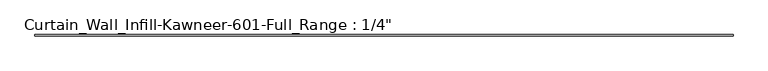
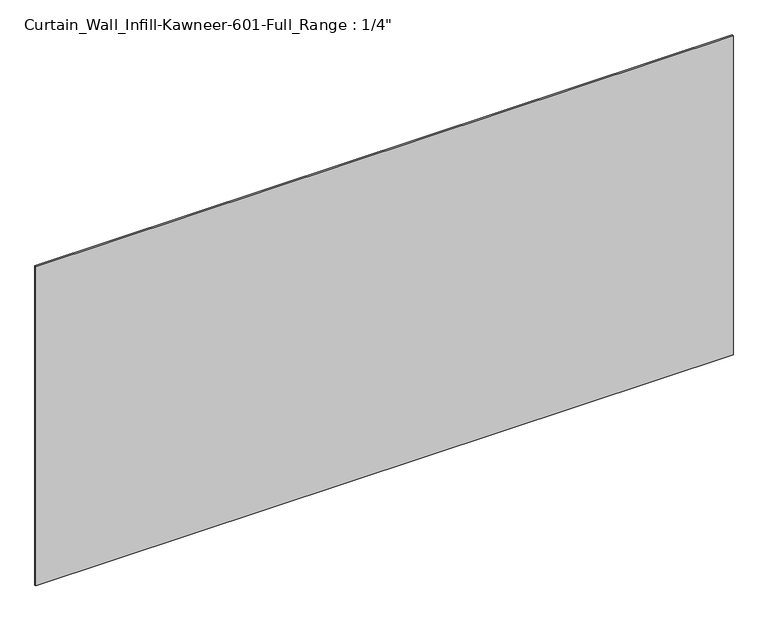
"""IFC4 building model written with IfcOpenShell, lengths in millimetres: plate geometry."""

import ifcopenshell
import ifcopenshell.guid

model = None  # the IFC model being written
_history = None  # IfcOwnerHistory: only IFC2X3 demands one
_inside = {}  # id of a spatial element -> (the spatial element, [elements in it])
_under = {}  # id of a project, library or spatial element -> (it, [spatial elements below it])
_declared = {}  # id of a project -> (the project, [libraries it declares])
_typed = {}  # id of a type object -> (the type object, [elements of that type])
_made_of = {}  # id of a material, layer set ... -> (it, [elements and type objects made of it])


def new_model(schema):
    """Start an empty IFC model of exactly this schema.

    Asked for "IFC4X3", IfcOpenShell would pick the latest addendum, in which some entities
    have other attributes; the version numbers below select the first issue.
    IFC2X3 requires an IfcOwnerHistory on every rooted entity: one is made here for all.
    """
    global model, _history
    if schema == "IFC4X3":
        model = ifcopenshell.file(schema_version=(4, 3, 0, 0))
    else:
        model = ifcopenshell.file(schema=schema)
    _inside.clear()
    _under.clear()
    _declared.clear()
    _typed.clear()
    _made_of.clear()
    _history = None
    if model.schema == "IFC2X3":
        org = make("IfcOrganization", Name="unknown")
        user = make(
            "IfcPersonAndOrganization",
            ThePerson=make("IfcPerson", FamilyName="unknown"),
            TheOrganization=org,
        )
        app = make(
            "IfcApplication",
            ApplicationDeveloper=org,
            Version="unknown",
            ApplicationFullName="unknown",
            ApplicationIdentifier="unknown",
        )
        _history = make(
            "IfcOwnerHistory",
            OwningUser=user,
            OwningApplication=app,
            ChangeAction="ADDED",
            CreationDate=0,
        )
    return model


def make(cls, **values):
    """One entity of the class cls with the attributes given. An attribute that is None is left unset."""
    return model.create_entity(
        cls, **{name: value for name, value in values.items() if value is not None}
    )


def rooted(cls, **values):
    """An entity with a GlobalId (a new one), such as an element, a storey or a relation."""
    return make(cls, GlobalId=ifcopenshell.guid.new(), OwnerHistory=_history, **values)


def si_unit(unit_type, name, prefix=None):
    """IfcSIUnit, for example si_unit("LENGTHUNIT", "METRE", prefix="MILLI")."""
    return make("IfcSIUnit", UnitType=unit_type, Prefix=prefix, Name=name)


def assignment(units):
    """IfcUnitAssignment: the units of a project."""
    return None if units is None else make("IfcUnitAssignment", Units=units)


def point(xyz):
    """IfcCartesianPoint."""
    return None if xyz is None else make("IfcCartesianPoint", Coordinates=xyz)


def direction(xyz):
    """IfcDirection."""
    return None if xyz is None else make("IfcDirection", DirectionRatios=xyz)


def frame(location, z_axis=None, x_axis=None):
    """IfcAxis2Placement3D, a coordinate frame: its origin and axes. An axis left out is left unset."""
    return make(
        "IfcAxis2Placement3D",
        Location=point(location),
        Axis=direction(z_axis),
        RefDirection=direction(x_axis),
    )


def origin():
    """The frame at (0, 0, 0) with its axes left unset."""
    return frame((0.0, 0.0, 0.0))


def origin_with_axes():
    """The frame at (0, 0, 0) with the z axis (0, 0, 1) and the x axis (1, 0, 0) written out."""
    return frame((0.0, 0.0, 0.0), z_axis=(0.0, 0.0, 1.0), x_axis=(1.0, 0.0, 0.0))


def place(relative_to, where):
    """IfcLocalPlacement: puts the frame where relative to a parent placement (None: the world)."""
    return make(
        "IfcLocalPlacement", PlacementRelTo=relative_to, RelativePlacement=where
    )


def context(
    kind, dimensions, precision=None, world=None, true_north=None, identifier=None
):
    """IfcGeometricRepresentationContext, for example the 3D "Model" context."""
    return make(
        "IfcGeometricRepresentationContext",
        ContextIdentifier=identifier,
        ContextType=kind,
        CoordinateSpaceDimension=dimensions,
        Precision=precision,
        WorldCoordinateSystem=world,
        TrueNorth=true_north,
    )


def project(units=None, contexts=None):
    """IfcProject with its units and contexts."""
    return rooted(
        "IfcProject",
        Name="project",
        RepresentationContexts=contexts,
        UnitsInContext=assignment(units),
    )


def spatial(cls, under=None, at=None, **own):
    """A site, building, storey or space (cls), placed at a placement, below another one or the project."""
    s = rooted(cls, ObjectPlacement=at, **own)
    if under is not None:
        _under.setdefault(under.id(), (under, []))[1].append(s)
    return s


def polyline(points):
    """IfcPolyline through the points."""
    return make("IfcPolyline", Points=[point(p) for p in points])


def outline(outer, holes=None, kind="AREA"):
    """IfcArbitraryClosedProfileDef: a profile drawn as a closed curve; with holes, ...WithVoids."""
    if holes is None:
        return make("IfcArbitraryClosedProfileDef", ProfileType=kind, OuterCurve=outer)
    return make(
        "IfcArbitraryProfileDefWithVoids",
        ProfileType=kind,
        OuterCurve=outer,
        InnerCurves=holes,
    )


def extrude(swept, where, along, depth):
    """IfcExtrudedAreaSolid: the profile swept, set in the frame where, extruded along a direction by depth."""
    return make(
        "IfcExtrudedAreaSolid",
        SweptArea=swept,
        Position=where,
        ExtrudedDirection=direction(along),
        Depth=depth,
    )


def shape(context_of_items, identifier, shape_type, items):
    """IfcShapeRepresentation: the items that make up one representation, for example the "Body"."""
    return make(
        "IfcShapeRepresentation",
        ContextOfItems=context_of_items,
        RepresentationIdentifier=identifier,
        RepresentationType=shape_type,
        Items=items,
    )


def source(mapping_origin, context_of_items, identifier, shape_type, items):
    """IfcRepresentationMap: a shape defined once, which mapped items show again and again."""
    return make(
        "IfcRepresentationMap",
        MappingOrigin=mapping_origin,
        MappedRepresentation=shape(context_of_items, identifier, shape_type, items),
    )


def transform(
    local_origin,
    x_axis=None,
    y_axis=None,
    z_axis=None,
    scale=None,
    scale2=None,
    scale3=None,
    uniform=True,
):
    """IfcCartesianTransformationOperator3D, or its non-uniform kind. x_axis, y_axis, z_axis: its Axis1, 2, 3."""
    if uniform:
        return make(
            "IfcCartesianTransformationOperator3D",
            Axis1=direction(x_axis),
            Axis2=direction(y_axis),
            LocalOrigin=point(local_origin),
            Scale=scale,
            Axis3=direction(z_axis),
        )
    return make(
        "IfcCartesianTransformationOperator3DnonUniform",
        Axis1=direction(x_axis),
        Axis2=direction(y_axis),
        LocalOrigin=point(local_origin),
        Scale=scale,
        Axis3=direction(z_axis),
        Scale2=scale2,
        Scale3=scale3,
    )


def mapped(mapping_source, mapping_target):
    """IfcMappedItem: shows the shape of a source again, moved by a transform."""
    return make(
        "IfcMappedItem", MappingSource=mapping_source, MappingTarget=mapping_target
    )


def made_of(thing, what):
    """Note that an element or type object is made of a material, layer set ...; save() writes the relation."""
    if what is not None:
        _made_of.setdefault(what.id(), (what, []))[1].append(thing)
    return thing


def element(
    cls,
    number,
    at=None,
    inside=None,
    cuts=None,
    type_object=None,
    material=None,
    context=None,
    identifier="Body",
    shape_type=None,
    held_by="IfcProductDefinitionShape",
    body=None,
    shapes=None,
    **own,
):
    """One element of the class cls, such as IfcWall. Its Tag is "e" and its number.

    at: its placement. inside: the storey or other place that contains it. cuts: it is an
    opening in that element (IfcRelVoidsElement). A single representation is given by context,
    identifier, shape_type and body (its items); several are given by shapes. held_by: the class
    of the entity that holds the representations. save() writes the other relations.
    """
    e = rooted(cls, Tag="e%d" % number, ObjectPlacement=at, **own)
    if body is not None:
        shapes = [shape(context, identifier, shape_type, body)]
    if shapes is not None:
        e.Representation = make(held_by, Representations=shapes)
    if inside is not None:
        _inside.setdefault(inside.id(), (inside, []))[1].append(e)
    if cuts is not None:
        rooted(
            "IfcRelVoidsElement", RelatingBuildingElement=cuts, RelatedOpeningElement=e
        )
    if type_object is not None:
        _typed.setdefault(type_object.id(), (type_object, []))[1].append(e)
    return made_of(e, material)


def aggregate(whole, parts):
    """IfcRelAggregates: a whole, such as a stair, and the parts it consists of."""
    return rooted("IfcRelAggregates", RelatingObject=whole, RelatedObjects=parts)


def save(model, path):
    """Write the relations noted so far, then the file.

    IfcRelAggregates (storeys below a building ...), IfcRelContainedInSpatialStructure (elements
    in a storey), IfcRelDefinesByType, IfcRelAssociatesMaterial and IfcRelDeclares: one each for
    every whole, place, type object, material and project.
    """
    for whole, parts in _under.values():
        aggregate(whole, parts)
    for where, things in _inside.values():
        rooted(
            "IfcRelContainedInSpatialStructure",
            RelatedElements=things,
            RelatingStructure=where,
        )
    for kind, things in _typed.values():
        rooted("IfcRelDefinesByType", RelatedObjects=things, RelatingType=kind)
    for what, things in _made_of.values():
        rooted("IfcRelAssociatesMaterial", RelatedObjects=things, RelatingMaterial=what)
    for by, libraries in _declared.values():
        rooted("IfcRelDeclares", RelatingContext=by, RelatedDefinitions=libraries)
    model.write(path)


def plate_b3669f5b(model_context):
    return source(origin(), model_context, "Body", "SweptSolid", [
        extrude(outline(polyline([(-1492.25, 0.0), (-1492.25, 6.35), (1473.2, 6.35), (1473.2, 0.0), (-1492.25, 0.0)])), origin_with_axes(), (0.0, 0.0, 1.0), 1435.1),
    ])


if __name__ == "__main__":
    model = new_model("IFC4")
    model_context = context("Model", 3, world=origin())
    ifc_project = project(units=[si_unit("LENGTHUNIT", "METRE", prefix="MILLI")], contexts=[model_context])
    site = spatial("IfcSite", under=ifc_project)
    building = spatial("IfcBuilding", under=site)
    placement = place(None, origin())
    plate_shape = plate_b3669f5b(model_context)
    element("IfcPlate", 1, ObjectType="Curtain_Wall_Infill-Kawneer-601-Full_Range : 1/4\"", at=placement, inside=building, context=model_context, shape_type="MappedRepresentation", body=[
        mapped(plate_shape, transform((0.0, 0.0, 0.0), x_axis=(1.0, 0.0, 0.0), y_axis=(0.0, 1.0, 0.0), z_axis=(0.0, 0.0, 1.0))),
    ])
    save(model, "model.ifc")
